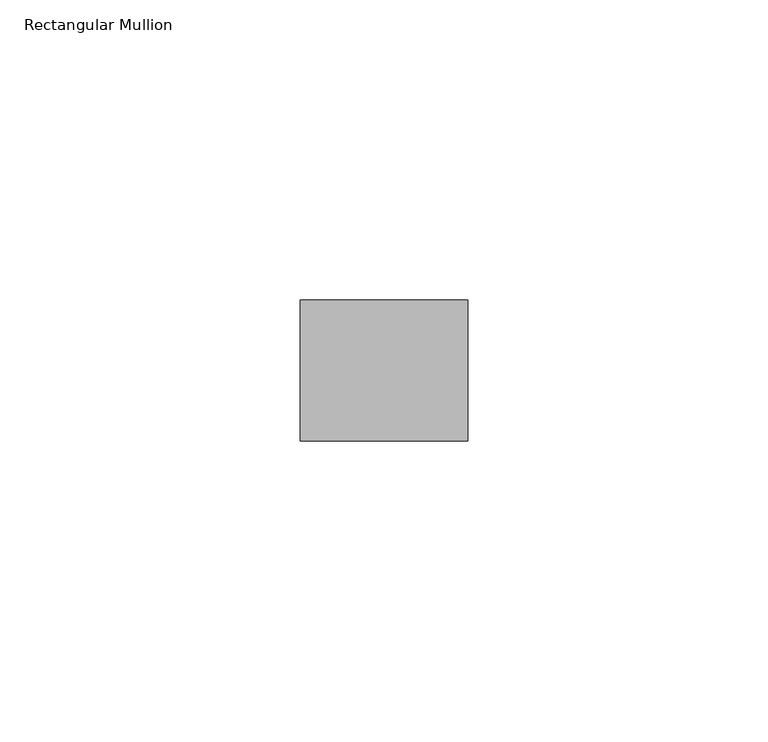
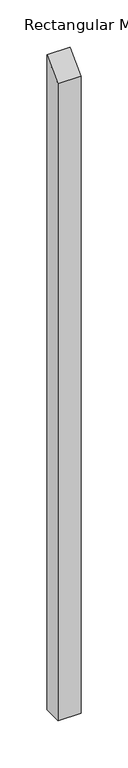
"""IFC4 building model written with IfcOpenShell, lengths in millimetres: member geometry, Rectangular Mullion."""

from ifc_helpers import new_model, si_unit, frame, origin, place, context, project, spatial, polyline, outline, extrude, source, transform, mapped, element, save


def rectangular_mullion_7b339d30(model_context):
    return source(origin(), model_context, "Body", "SweptSolid", [
        extrude(outline(polyline([(-11.7474999, -11.7474999), (11.7474999, 11.7474999), (11.7474999, -835.344054), (-11.7474999, -835.344054), (-11.7474999, -11.7474999)])), frame((-27.94, 0.0, 0.0), z_axis=(1.0, 0.0, 0.0), x_axis=(0.0, 1.0, 0.0)), (0.0, 0.0, 1.0), 27.94),
    ])


if __name__ == "__main__":
    model = new_model("IFC4")
    model_context = context("Model", 3, world=origin())
    ifc_project = project(units=[si_unit("LENGTHUNIT", "METRE", prefix="MILLI")], contexts=[model_context])
    site = spatial("IfcSite", under=ifc_project)
    building = spatial("IfcBuilding", under=site)
    placement = place(None, origin())
    rectangular_mullion_shape = rectangular_mullion_7b339d30(model_context)
    element("IfcMember", 1, ObjectType="Rectangular Mullion", at=placement, inside=building, context=model_context, shape_type="MappedRepresentation", body=[
        mapped(rectangular_mullion_shape, transform((0.0, 0.0, 0.0), x_axis=(1.0, 0.0, 0.0), y_axis=(0.0, 1.0, 0.0), z_axis=(0.0, 0.0, 1.0))),
    ])
    save(model, "model.ifc")
